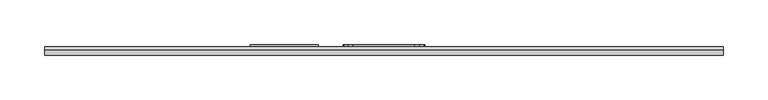
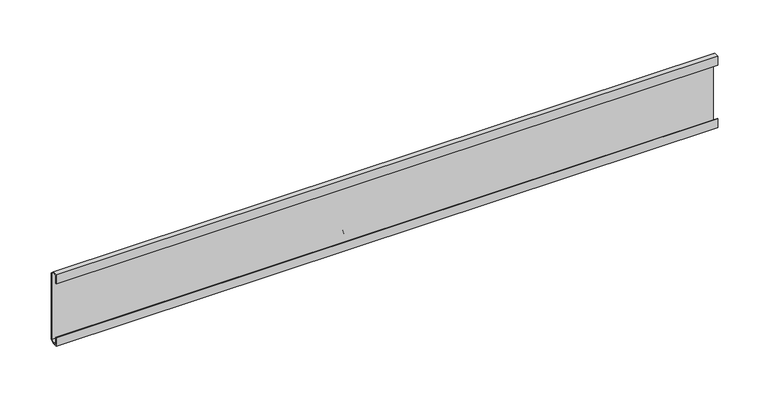
"""IFC4 building model written with IfcOpenShell, lengths in millimetres: furniture geometry."""

from ifc_helpers import new_model, si_unit, frame, origin, place, context, project, spatial, polyline, outline, extrude, source, transform, mapped, element, save


def furniture_f1cadd0c(model_context):
    return source(origin(), model_context, "Body", "SweptSolid", [
        extrude(outline(polyline([(79.1082979, -45.7707891), (36.5379017, -45.7707891), (30.9753029, -44.2802914), (26.903195, -40.2081925), (25.4127019, -34.645596), (25.4127019, 34.645596), (26.903195, 40.2081925), (30.9753029, 44.2802914), (36.5379017, 45.7707891), (79.1082979, 45.7707891), (84.6709035, 44.2802914), (88.7430114, 40.2081925), (90.2335, 34.645596), (90.2335, -34.645596), (88.7430114, -40.2081925), (84.6709035, -44.2802914), (79.1082979, -45.7707891)])), frame((0.0, 39.0921875, 0.0), z_axis=(0.0, 1.0, 0.0), x_axis=(0.0, 0.0, 1.0)), (0.0, 0.0, 1.0), 2.309816),
        extrude(outline(polyline([(-73.3298, 39.0921875), (-149.5298, 39.0921875), (-149.5298, 41.4020035), (-73.3298, 41.4020035), (-73.3298, 39.0921875)])), frame((0.0, 0.0, 35.433), z_axis=(0.0, 0.0, 1.0), x_axis=(1.0, 0.0, 0.0)), (0.0, 0.0, 1.0), 48.26),
        extrude(outline(polyline([(29.5671875, 104.2233438), (35.9171874, 104.2233438), (39.0921875, 101.0285018), (39.0921875, 20.3835004), (35.917184, 17.2085), (29.5671875, 17.2085), (29.5671875, 28.0035022), (30.3609375, 28.0035022), (30.3609375, 18.0022534), (35.9171874, 18.0022534), (38.2984375, 20.3835035), (38.2984375, 101.0284987), (35.9171874, 103.4295937), (30.3609375, 103.4295937), (30.3609375, 93.4085), (29.5671875, 93.4085), (29.5671875, 104.2233438)])), frame((-379.809375, 0.0, 0.0), z_axis=(1.0, 0.0, 0.0), x_axis=(0.0, 1.0, 0.0)), (0.0, 0.0, 1.0), 759.61875),
    ])


if __name__ == "__main__":
    model = new_model("IFC4")
    model_context = context("Model", 3, world=origin())
    ifc_project = project(units=[si_unit("LENGTHUNIT", "METRE", prefix="MILLI")], contexts=[model_context])
    site = spatial("IfcSite", under=ifc_project)
    building = spatial("IfcBuilding", under=site)
    placement = place(None, origin())
    furniture_shape = furniture_f1cadd0c(model_context)
    element("IfcFurniture", 1, at=placement, inside=building, context=model_context, shape_type="MappedRepresentation", body=[
        mapped(furniture_shape, transform((0.0, 0.0, 0.0), x_axis=(1.0, 0.0, 0.0), y_axis=(0.0, 1.0, 0.0), z_axis=(0.0, 0.0, 1.0))),
    ])
    save(model, "model.ifc")
